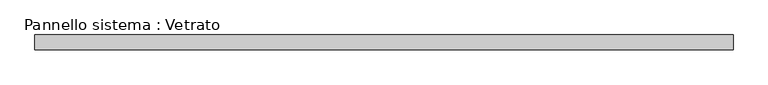
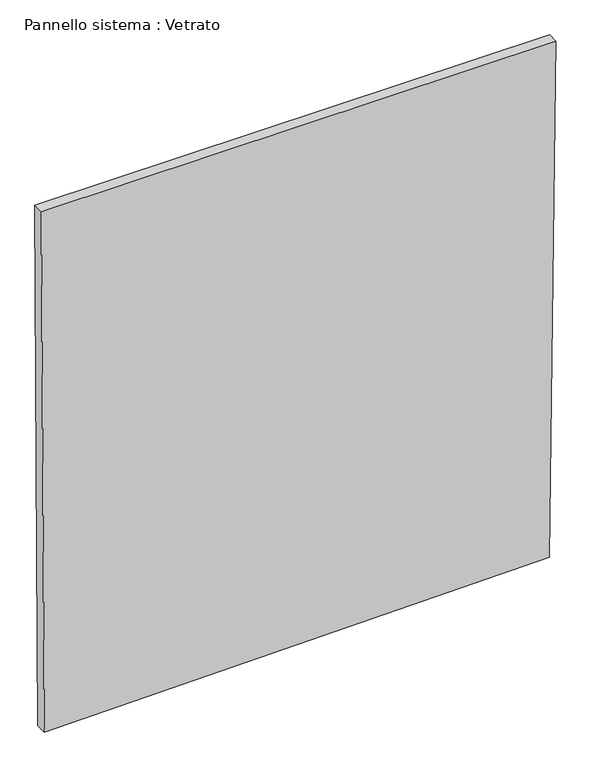
"""IFC4 building model written with IfcOpenShell, lengths in millimetres: plate geometry, Pannello sistema : Vetrato."""

import ifcopenshell
import ifcopenshell.guid

model = None  # the IFC model being written
_history = None  # IfcOwnerHistory: only IFC2X3 demands one
_inside = {}  # id of a spatial element -> (the spatial element, [elements in it])
_under = {}  # id of a project, library or spatial element -> (it, [spatial elements below it])
_declared = {}  # id of a project -> (the project, [libraries it declares])
_typed = {}  # id of a type object -> (the type object, [elements of that type])
_made_of = {}  # id of a material, layer set ... -> (it, [elements and type objects made of it])


def new_model(schema):
    """Start an empty IFC model of exactly this schema.

    Asked for "IFC4X3", IfcOpenShell would pick the latest addendum, in which some entities
    have other attributes; the version numbers below select the first issue.
    IFC2X3 requires an IfcOwnerHistory on every rooted entity: one is made here for all.
    """
    global model, _history
    if schema == "IFC4X3":
        model = ifcopenshell.file(schema_version=(4, 3, 0, 0))
    else:
        model = ifcopenshell.file(schema=schema)
    _inside.clear()
    _under.clear()
    _declared.clear()
    _typed.clear()
    _made_of.clear()
    _history = None
    if model.schema == "IFC2X3":
        org = make("IfcOrganization", Name="unknown")
        user = make(
            "IfcPersonAndOrganization",
            ThePerson=make("IfcPerson", FamilyName="unknown"),
            TheOrganization=org,
        )
        app = make(
            "IfcApplication",
            ApplicationDeveloper=org,
            Version="unknown",
            ApplicationFullName="unknown",
            ApplicationIdentifier="unknown",
        )
        _history = make(
            "IfcOwnerHistory",
            OwningUser=user,
            OwningApplication=app,
            ChangeAction="ADDED",
            CreationDate=0,
        )
    return model


def make(cls, **values):
    """One entity of the class cls with the attributes given. An attribute that is None is left unset."""
    return model.create_entity(
        cls, **{name: value for name, value in values.items() if value is not None}
    )


def rooted(cls, **values):
    """An entity with a GlobalId (a new one), such as an element, a storey or a relation."""
    return make(cls, GlobalId=ifcopenshell.guid.new(), OwnerHistory=_history, **values)


def si_unit(unit_type, name, prefix=None):
    """IfcSIUnit, for example si_unit("LENGTHUNIT", "METRE", prefix="MILLI")."""
    return make("IfcSIUnit", UnitType=unit_type, Prefix=prefix, Name=name)


def assignment(units):
    """IfcUnitAssignment: the units of a project."""
    return None if units is None else make("IfcUnitAssignment", Units=units)


def point(xyz):
    """IfcCartesianPoint."""
    return None if xyz is None else make("IfcCartesianPoint", Coordinates=xyz)


def direction(xyz):
    """IfcDirection."""
    return None if xyz is None else make("IfcDirection", DirectionRatios=xyz)


def frame(location, z_axis=None, x_axis=None):
    """IfcAxis2Placement3D, a coordinate frame: its origin and axes. An axis left out is left unset."""
    return make(
        "IfcAxis2Placement3D",
        Location=point(location),
        Axis=direction(z_axis),
        RefDirection=direction(x_axis),
    )


def origin():
    """The frame at (0, 0, 0) with its axes left unset."""
    return frame((0.0, 0.0, 0.0))


def place(relative_to, where):
    """IfcLocalPlacement: puts the frame where relative to a parent placement (None: the world)."""
    return make(
        "IfcLocalPlacement", PlacementRelTo=relative_to, RelativePlacement=where
    )


def context(
    kind, dimensions, precision=None, world=None, true_north=None, identifier=None
):
    """IfcGeometricRepresentationContext, for example the 3D "Model" context."""
    return make(
        "IfcGeometricRepresentationContext",
        ContextIdentifier=identifier,
        ContextType=kind,
        CoordinateSpaceDimension=dimensions,
        Precision=precision,
        WorldCoordinateSystem=world,
        TrueNorth=true_north,
    )


def project(units=None, contexts=None):
    """IfcProject with its units and contexts."""
    return rooted(
        "IfcProject",
        Name="project",
        RepresentationContexts=contexts,
        UnitsInContext=assignment(units),
    )


def spatial(cls, under=None, at=None, **own):
    """A site, building, storey or space (cls), placed at a placement, below another one or the project."""
    s = rooted(cls, ObjectPlacement=at, **own)
    if under is not None:
        _under.setdefault(under.id(), (under, []))[1].append(s)
    return s


def polyline(points):
    """IfcPolyline through the points."""
    return make("IfcPolyline", Points=[point(p) for p in points])


def outline(outer, holes=None, kind="AREA"):
    """IfcArbitraryClosedProfileDef: a profile drawn as a closed curve; with holes, ...WithVoids."""
    if holes is None:
        return make("IfcArbitraryClosedProfileDef", ProfileType=kind, OuterCurve=outer)
    return make(
        "IfcArbitraryProfileDefWithVoids",
        ProfileType=kind,
        OuterCurve=outer,
        InnerCurves=holes,
    )


def extrude(swept, where, along, depth):
    """IfcExtrudedAreaSolid: the profile swept, set in the frame where, extruded along a direction by depth."""
    return make(
        "IfcExtrudedAreaSolid",
        SweptArea=swept,
        Position=where,
        ExtrudedDirection=direction(along),
        Depth=depth,
    )


def shape(context_of_items, identifier, shape_type, items):
    """IfcShapeRepresentation: the items that make up one representation, for example the "Body"."""
    return make(
        "IfcShapeRepresentation",
        ContextOfItems=context_of_items,
        RepresentationIdentifier=identifier,
        RepresentationType=shape_type,
        Items=items,
    )


def source(mapping_origin, context_of_items, identifier, shape_type, items):
    """IfcRepresentationMap: a shape defined once, which mapped items show again and again."""
    return make(
        "IfcRepresentationMap",
        MappingOrigin=mapping_origin,
        MappedRepresentation=shape(context_of_items, identifier, shape_type, items),
    )


def transform(
    local_origin,
    x_axis=None,
    y_axis=None,
    z_axis=None,
    scale=None,
    scale2=None,
    scale3=None,
    uniform=True,
):
    """IfcCartesianTransformationOperator3D, or its non-uniform kind. x_axis, y_axis, z_axis: its Axis1, 2, 3."""
    if uniform:
        return make(
            "IfcCartesianTransformationOperator3D",
            Axis1=direction(x_axis),
            Axis2=direction(y_axis),
            LocalOrigin=point(local_origin),
            Scale=scale,
            Axis3=direction(z_axis),
        )
    return make(
        "IfcCartesianTransformationOperator3DnonUniform",
        Axis1=direction(x_axis),
        Axis2=direction(y_axis),
        LocalOrigin=point(local_origin),
        Scale=scale,
        Axis3=direction(z_axis),
        Scale2=scale2,
        Scale3=scale3,
    )


def mapped(mapping_source, mapping_target):
    """IfcMappedItem: shows the shape of a source again, moved by a transform."""
    return make(
        "IfcMappedItem", MappingSource=mapping_source, MappingTarget=mapping_target
    )


def made_of(thing, what):
    """Note that an element or type object is made of a material, layer set ...; save() writes the relation."""
    if what is not None:
        _made_of.setdefault(what.id(), (what, []))[1].append(thing)
    return thing


def element(
    cls,
    number,
    at=None,
    inside=None,
    cuts=None,
    type_object=None,
    material=None,
    context=None,
    identifier="Body",
    shape_type=None,
    held_by="IfcProductDefinitionShape",
    body=None,
    shapes=None,
    **own,
):
    """One element of the class cls, such as IfcWall. Its Tag is "e" and its number.

    at: its placement. inside: the storey or other place that contains it. cuts: it is an
    opening in that element (IfcRelVoidsElement). A single representation is given by context,
    identifier, shape_type and body (its items); several are given by shapes. held_by: the class
    of the entity that holds the representations. save() writes the other relations.
    """
    e = rooted(cls, Tag="e%d" % number, ObjectPlacement=at, **own)
    if body is not None:
        shapes = [shape(context, identifier, shape_type, body)]
    if shapes is not None:
        e.Representation = make(held_by, Representations=shapes)
    if inside is not None:
        _inside.setdefault(inside.id(), (inside, []))[1].append(e)
    if cuts is not None:
        rooted(
            "IfcRelVoidsElement", RelatingBuildingElement=cuts, RelatedOpeningElement=e
        )
    if type_object is not None:
        _typed.setdefault(type_object.id(), (type_object, []))[1].append(e)
    return made_of(e, material)


def aggregate(whole, parts):
    """IfcRelAggregates: a whole, such as a stair, and the parts it consists of."""
    return rooted("IfcRelAggregates", RelatingObject=whole, RelatedObjects=parts)


def save(model, path):
    """Write the relations noted so far, then the file.

    IfcRelAggregates (storeys below a building ...), IfcRelContainedInSpatialStructure (elements
    in a storey), IfcRelDefinesByType, IfcRelAssociatesMaterial and IfcRelDeclares: one each for
    every whole, place, type object, material and project.
    """
    for whole, parts in _under.values():
        aggregate(whole, parts)
    for where, things in _inside.values():
        rooted(
            "IfcRelContainedInSpatialStructure",
            RelatedElements=things,
            RelatingStructure=where,
        )
    for kind, things in _typed.values():
        rooted("IfcRelDefinesByType", RelatedObjects=things, RelatingType=kind)
    for what, things in _made_of.values():
        rooted("IfcRelAssociatesMaterial", RelatedObjects=things, RelatingMaterial=what)
    for by, libraries in _declared.values():
        rooted("IfcRelDeclares", RelatingContext=by, RelatedDefinitions=libraries)
    model.write(path)


def pannello_sistema_vetrato_c35faa92(model_context):
    return source(origin(), model_context, "Body", "SweptSolid", [
        extrude(outline(polyline([(0.0, -694.0519771), (22.2993957, 684.0224566), (1504.1741499, 702.0592496), (1504.1741499, -702.0592496), (0.0, -694.0519771)])), frame((0.0, -15.0, 0.0), z_axis=(0.0, 1.0, 0.0), x_axis=(0.0, 0.0, 1.0)), (0.0, 0.0, 1.0), 30.0),
    ])


if __name__ == "__main__":
    model = new_model("IFC4")
    model_context = context("Model", 3, world=origin())
    ifc_project = project(units=[si_unit("LENGTHUNIT", "METRE", prefix="MILLI")], contexts=[model_context])
    site = spatial("IfcSite", under=ifc_project)
    building = spatial("IfcBuilding", under=site)
    placement = place(None, origin())
    pannello_sistema_vetrato_shape = pannello_sistema_vetrato_c35faa92(model_context)
    element("IfcPlate", 1, ObjectType="Pannello sistema : Vetrato", at=placement, inside=building, context=model_context, shape_type="MappedRepresentation", body=[
        mapped(pannello_sistema_vetrato_shape, transform((0.0, 0.0, 0.0), x_axis=(1.0, 0.0, 0.0), y_axis=(0.0, 1.0, 0.0), z_axis=(0.0, 0.0, 1.0))),
    ])
    save(model, "model.ifc")
